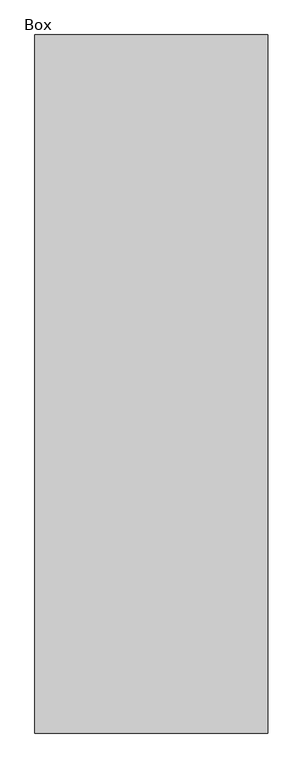
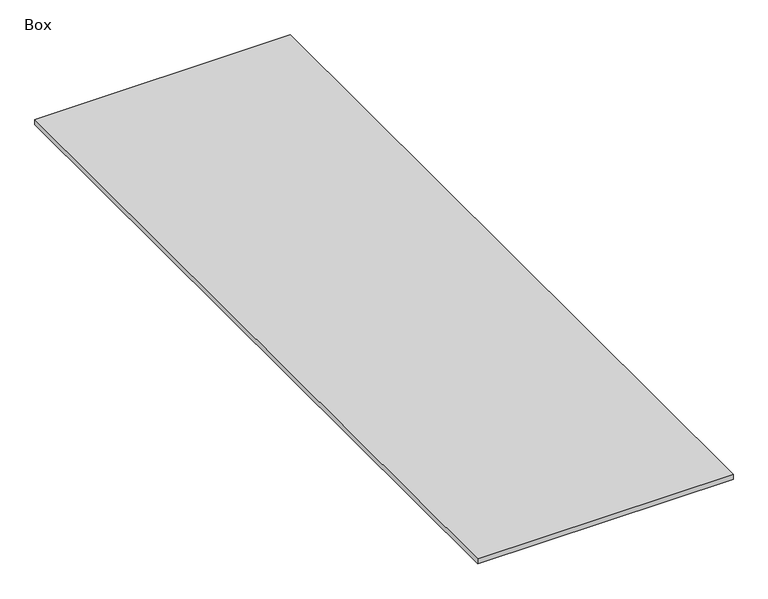
"""IFC4 building model written with IfcOpenShell, lengths in millimetres: furniture geometry, Box."""

import ifcopenshell
import ifcopenshell.guid

model = None  # the IFC model being written
_history = None  # IfcOwnerHistory: only IFC2X3 demands one
_inside = {}  # id of a spatial element -> (the spatial element, [elements in it])
_under = {}  # id of a project, library or spatial element -> (it, [spatial elements below it])
_declared = {}  # id of a project -> (the project, [libraries it declares])
_typed = {}  # id of a type object -> (the type object, [elements of that type])
_made_of = {}  # id of a material, layer set ... -> (it, [elements and type objects made of it])


def new_model(schema):
    """Start an empty IFC model of exactly this schema.

    Asked for "IFC4X3", IfcOpenShell would pick the latest addendum, in which some entities
    have other attributes; the version numbers below select the first issue.
    IFC2X3 requires an IfcOwnerHistory on every rooted entity: one is made here for all.
    """
    global model, _history
    if schema == "IFC4X3":
        model = ifcopenshell.file(schema_version=(4, 3, 0, 0))
    else:
        model = ifcopenshell.file(schema=schema)
    _inside.clear()
    _under.clear()
    _declared.clear()
    _typed.clear()
    _made_of.clear()
    _history = None
    if model.schema == "IFC2X3":
        org = make("IfcOrganization", Name="unknown")
        user = make(
            "IfcPersonAndOrganization",
            ThePerson=make("IfcPerson", FamilyName="unknown"),
            TheOrganization=org,
        )
        app = make(
            "IfcApplication",
            ApplicationDeveloper=org,
            Version="unknown",
            ApplicationFullName="unknown",
            ApplicationIdentifier="unknown",
        )
        _history = make(
            "IfcOwnerHistory",
            OwningUser=user,
            OwningApplication=app,
            ChangeAction="ADDED",
            CreationDate=0,
        )
    return model


def make(cls, **values):
    """One entity of the class cls with the attributes given. An attribute that is None is left unset."""
    return model.create_entity(
        cls, **{name: value for name, value in values.items() if value is not None}
    )


def rooted(cls, **values):
    """An entity with a GlobalId (a new one), such as an element, a storey or a relation."""
    return make(cls, GlobalId=ifcopenshell.guid.new(), OwnerHistory=_history, **values)


def si_unit(unit_type, name, prefix=None):
    """IfcSIUnit, for example si_unit("LENGTHUNIT", "METRE", prefix="MILLI")."""
    return make("IfcSIUnit", UnitType=unit_type, Prefix=prefix, Name=name)


def assignment(units):
    """IfcUnitAssignment: the units of a project."""
    return None if units is None else make("IfcUnitAssignment", Units=units)


def point(xyz):
    """IfcCartesianPoint."""
    return None if xyz is None else make("IfcCartesianPoint", Coordinates=xyz)


def direction(xyz):
    """IfcDirection."""
    return None if xyz is None else make("IfcDirection", DirectionRatios=xyz)


def frame(location, z_axis=None, x_axis=None):
    """IfcAxis2Placement3D, a coordinate frame: its origin and axes. An axis left out is left unset."""
    return make(
        "IfcAxis2Placement3D",
        Location=point(location),
        Axis=direction(z_axis),
        RefDirection=direction(x_axis),
    )


def origin():
    """The frame at (0, 0, 0) with its axes left unset."""
    return frame((0.0, 0.0, 0.0))


def origin_with_axes():
    """The frame at (0, 0, 0) with the z axis (0, 0, 1) and the x axis (1, 0, 0) written out."""
    return frame((0.0, 0.0, 0.0), z_axis=(0.0, 0.0, 1.0), x_axis=(1.0, 0.0, 0.0))


def place(relative_to, where):
    """IfcLocalPlacement: puts the frame where relative to a parent placement (None: the world)."""
    return make(
        "IfcLocalPlacement", PlacementRelTo=relative_to, RelativePlacement=where
    )


def context(
    kind, dimensions, precision=None, world=None, true_north=None, identifier=None
):
    """IfcGeometricRepresentationContext, for example the 3D "Model" context."""
    return make(
        "IfcGeometricRepresentationContext",
        ContextIdentifier=identifier,
        ContextType=kind,
        CoordinateSpaceDimension=dimensions,
        Precision=precision,
        WorldCoordinateSystem=world,
        TrueNorth=true_north,
    )


def project(units=None, contexts=None):
    """IfcProject with its units and contexts."""
    return rooted(
        "IfcProject",
        Name="project",
        RepresentationContexts=contexts,
        UnitsInContext=assignment(units),
    )


def spatial(cls, under=None, at=None, **own):
    """A site, building, storey or space (cls), placed at a placement, below another one or the project."""
    s = rooted(cls, ObjectPlacement=at, **own)
    if under is not None:
        _under.setdefault(under.id(), (under, []))[1].append(s)
    return s


def polyline(points):
    """IfcPolyline through the points."""
    return make("IfcPolyline", Points=[point(p) for p in points])


def outline(outer, holes=None, kind="AREA"):
    """IfcArbitraryClosedProfileDef: a profile drawn as a closed curve; with holes, ...WithVoids."""
    if holes is None:
        return make("IfcArbitraryClosedProfileDef", ProfileType=kind, OuterCurve=outer)
    return make(
        "IfcArbitraryProfileDefWithVoids",
        ProfileType=kind,
        OuterCurve=outer,
        InnerCurves=holes,
    )


def extrude(swept, where, along, depth):
    """IfcExtrudedAreaSolid: the profile swept, set in the frame where, extruded along a direction by depth."""
    return make(
        "IfcExtrudedAreaSolid",
        SweptArea=swept,
        Position=where,
        ExtrudedDirection=direction(along),
        Depth=depth,
    )


def shape(context_of_items, identifier, shape_type, items):
    """IfcShapeRepresentation: the items that make up one representation, for example the "Body"."""
    return make(
        "IfcShapeRepresentation",
        ContextOfItems=context_of_items,
        RepresentationIdentifier=identifier,
        RepresentationType=shape_type,
        Items=items,
    )


def source(mapping_origin, context_of_items, identifier, shape_type, items):
    """IfcRepresentationMap: a shape defined once, which mapped items show again and again."""
    return make(
        "IfcRepresentationMap",
        MappingOrigin=mapping_origin,
        MappedRepresentation=shape(context_of_items, identifier, shape_type, items),
    )


def transform(
    local_origin,
    x_axis=None,
    y_axis=None,
    z_axis=None,
    scale=None,
    scale2=None,
    scale3=None,
    uniform=True,
):
    """IfcCartesianTransformationOperator3D, or its non-uniform kind. x_axis, y_axis, z_axis: its Axis1, 2, 3."""
    if uniform:
        return make(
            "IfcCartesianTransformationOperator3D",
            Axis1=direction(x_axis),
            Axis2=direction(y_axis),
            LocalOrigin=point(local_origin),
            Scale=scale,
            Axis3=direction(z_axis),
        )
    return make(
        "IfcCartesianTransformationOperator3DnonUniform",
        Axis1=direction(x_axis),
        Axis2=direction(y_axis),
        LocalOrigin=point(local_origin),
        Scale=scale,
        Axis3=direction(z_axis),
        Scale2=scale2,
        Scale3=scale3,
    )


def mapped(mapping_source, mapping_target):
    """IfcMappedItem: shows the shape of a source again, moved by a transform."""
    return make(
        "IfcMappedItem", MappingSource=mapping_source, MappingTarget=mapping_target
    )


def made_of(thing, what):
    """Note that an element or type object is made of a material, layer set ...; save() writes the relation."""
    if what is not None:
        _made_of.setdefault(what.id(), (what, []))[1].append(thing)
    return thing


def element(
    cls,
    number,
    at=None,
    inside=None,
    cuts=None,
    type_object=None,
    material=None,
    context=None,
    identifier="Body",
    shape_type=None,
    held_by="IfcProductDefinitionShape",
    body=None,
    shapes=None,
    **own,
):
    """One element of the class cls, such as IfcWall. Its Tag is "e" and its number.

    at: its placement. inside: the storey or other place that contains it. cuts: it is an
    opening in that element (IfcRelVoidsElement). A single representation is given by context,
    identifier, shape_type and body (its items); several are given by shapes. held_by: the class
    of the entity that holds the representations. save() writes the other relations.
    """
    e = rooted(cls, Tag="e%d" % number, ObjectPlacement=at, **own)
    if body is not None:
        shapes = [shape(context, identifier, shape_type, body)]
    if shapes is not None:
        e.Representation = make(held_by, Representations=shapes)
    if inside is not None:
        _inside.setdefault(inside.id(), (inside, []))[1].append(e)
    if cuts is not None:
        rooted(
            "IfcRelVoidsElement", RelatingBuildingElement=cuts, RelatedOpeningElement=e
        )
    if type_object is not None:
        _typed.setdefault(type_object.id(), (type_object, []))[1].append(e)
    return made_of(e, material)


def aggregate(whole, parts):
    """IfcRelAggregates: a whole, such as a stair, and the parts it consists of."""
    return rooted("IfcRelAggregates", RelatingObject=whole, RelatedObjects=parts)


def save(model, path):
    """Write the relations noted so far, then the file.

    IfcRelAggregates (storeys below a building ...), IfcRelContainedInSpatialStructure (elements
    in a storey), IfcRelDefinesByType, IfcRelAssociatesMaterial and IfcRelDeclares: one each for
    every whole, place, type object, material and project.
    """
    for whole, parts in _under.values():
        aggregate(whole, parts)
    for where, things in _inside.values():
        rooted(
            "IfcRelContainedInSpatialStructure",
            RelatedElements=things,
            RelatingStructure=where,
        )
    for kind, things in _typed.values():
        rooted("IfcRelDefinesByType", RelatedObjects=things, RelatingType=kind)
    for what, things in _made_of.values():
        rooted("IfcRelAssociatesMaterial", RelatedObjects=things, RelatingMaterial=what)
    for by, libraries in _declared.values():
        rooted("IfcRelDeclares", RelatingContext=by, RelatedDefinitions=libraries)
    model.write(path)


def box_a3e904d6(model_context):
    return source(origin(), model_context, "Body", "SweptSolid", [
        extrude(outline(polyline([(520.7, 714.6465234), (520.7, -1114.1534766), (-88.9, -1114.1534766), (-88.9, 714.6465234), (520.7, 714.6465234)])), origin_with_axes(), (0.0, 0.0, 1.0), 12.7),
    ])


if __name__ == "__main__":
    model = new_model("IFC4")
    model_context = context("Model", 3, world=origin())
    ifc_project = project(units=[si_unit("LENGTHUNIT", "METRE", prefix="MILLI")], contexts=[model_context])
    site = spatial("IfcSite", under=ifc_project)
    building = spatial("IfcBuilding", under=site)
    placement = place(None, origin())
    box_shape = box_a3e904d6(model_context)
    element("IfcFurniture", 1, ObjectType="Box", at=placement, inside=building, context=model_context, shape_type="MappedRepresentation", body=[
        mapped(box_shape, transform((0.0, 0.0, 0.0), x_axis=(1.0, 0.0, 0.0), y_axis=(0.0, 1.0, 0.0), z_axis=(0.0, 0.0, 1.0))),
    ])
    save(model, "model.ifc")
